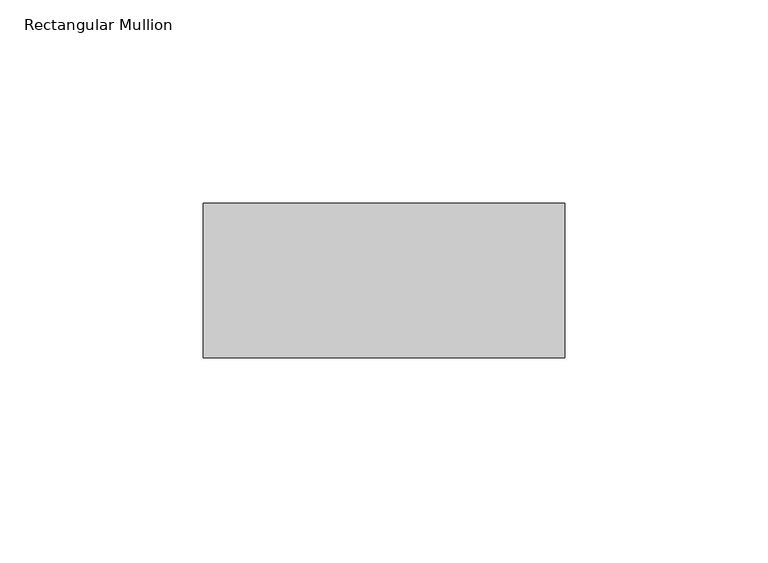
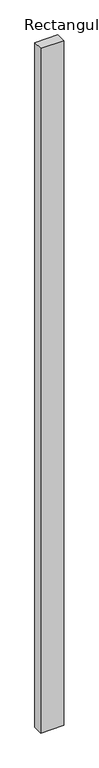
"""IFC4 building model written with IfcOpenShell, lengths in millimetres: member geometry, Rectangular Mullion."""

from ifc_helpers import new_model, si_unit, frame, origin, place, context, project, spatial, polyline, outline, extrude, source, transform, mapped, element, save


def rectangular_mullion_0894743b(model_context):
    return source(origin(), model_context, "Body", "SweptSolid", [
        extrude(outline(polyline([(44.5, 58.0), (44.5, 20.0), (-44.5, 20.0), (-44.5, 58.0), (44.5, 58.0)])), frame((0.0, 0.0, -2800.0), z_axis=(0.0, 0.0, 1.0), x_axis=(1.0, 0.0, 0.0)), (0.0, 0.0, 1.0), 2800.0),
    ])


if __name__ == "__main__":
    model = new_model("IFC4")
    model_context = context("Model", 3, world=origin())
    ifc_project = project(units=[si_unit("LENGTHUNIT", "METRE", prefix="MILLI")], contexts=[model_context])
    site = spatial("IfcSite", under=ifc_project)
    building = spatial("IfcBuilding", under=site)
    placement = place(None, origin())
    rectangular_mullion_shape = rectangular_mullion_0894743b(model_context)
    element("IfcMember", 1, ObjectType="Rectangular Mullion", at=placement, inside=building, context=model_context, shape_type="MappedRepresentation", body=[
        mapped(rectangular_mullion_shape, transform((0.0, 0.0, 0.0), x_axis=(1.0, 0.0, 0.0), y_axis=(0.0, 1.0, 0.0), z_axis=(0.0, 0.0, 1.0))),
    ])
    save(model, "model.ifc")
